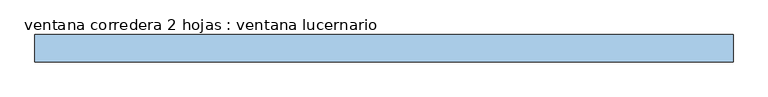
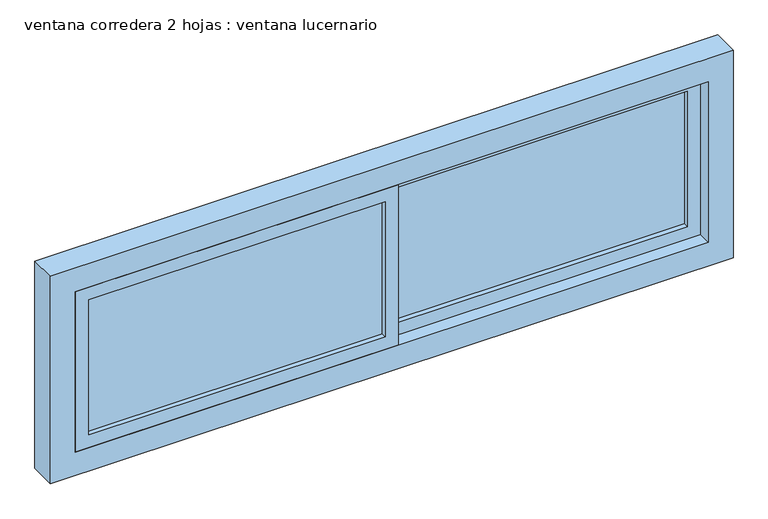
"""IFC4 building model written with IfcOpenShell, lengths in millimetres: window geometry, ventana corredera 2 hojas : ventana lucernario."""

from ifc_helpers import new_model, si_unit, frame, origin, place, context, project, spatial, polyline, outline, extrude, source, transform, mapped, element, save


def ventana_corredera_2_hojas_ventana_lucernario_c1fefcc1(model_context):
    return source(origin(), model_context, "Body", "SweptSolid", [
        extrude(outline(polyline([(732.6840642, -80.3681284), (16.1579679, -80.3681284), (16.1579679, -72.6840642), (732.6840642, -72.6840642), (732.6840642, -80.3681284)])), frame((0.0, 0.0, 892.3159358), z_axis=(0.0, 0.0, 1.0), x_axis=(1.0, 0.0, 0.0)), (0.0, 0.0, 1.0), 345.3681284),
        extrude(outline(polyline([(-16.1579679, -112.6840642), (-732.6840642, -112.6840642), (-732.6840642, -105.0), (-16.1579679, -105.0), (-16.1579679, -112.6840642)])), frame((0.0, 0.0, 892.3159358), z_axis=(0.0, 0.0, 1.0), x_axis=(1.0, 0.0, 0.0)), (0.0, 0.0, 1.0), 345.3681284),
        extrude(outline(polyline([(1330.0, 825.0), (1330.0, -825.0), (800.0, -825.0), (800.0, 825.0), (1330.0, 825.0)]), holes=[polyline([(1270.0, 765.0), (860.0, 765.0), (860.0, -765.0), (1270.0, -765.0), (1270.0, 765.0)])]), frame((0.0, -125.0, 0.0), z_axis=(0.0, 1.0, 0.0), x_axis=(0.0, 0.0, 1.0)), (0.0, 0.0, 1.0), 64.6318716),
        extrude(outline(polyline([(1270.0, 765.0), (1270.0, -16.1579679), (860.0, -16.1579679), (860.0, 765.0), (1270.0, 765.0)]), holes=[polyline([(1237.6840642, 732.6840642), (892.3159358, 732.6840642), (892.3159358, 16.1579679), (1237.6840642, 16.1579679), (1237.6840642, 732.6840642)])]), frame((0.0, -92.6840642, 0.0), z_axis=(0.0, 1.0, 0.0), x_axis=(0.0, 0.0, 1.0)), (0.0, 0.0, 1.0), 32.3159358),
        extrude(outline(polyline([(1270.0, 16.1579679), (1270.0, -765.0), (860.0, -765.0), (860.0, 16.1579679), (1270.0, 16.1579679)]), holes=[polyline([(1237.6840642, -16.1579679), (892.3159358, -16.1579679), (892.3159358, -732.6840642), (1237.6840642, -732.6840642), (1237.6840642, -16.1579679)])]), frame((0.0, -125.0, 0.0), z_axis=(0.0, 1.0, 0.0), x_axis=(0.0, 0.0, 1.0)), (0.0, 0.0, 1.0), 32.3159358),
    ])


if __name__ == "__main__":
    model = new_model("IFC4")
    model_context = context("Model", 3, world=origin())
    ifc_project = project(units=[si_unit("LENGTHUNIT", "METRE", prefix="MILLI")], contexts=[model_context])
    site = spatial("IfcSite", under=ifc_project)
    building = spatial("IfcBuilding", under=site)
    placement = place(None, origin())
    ventana_corredera_2_hojas_ventana_lucernario_shape = ventana_corredera_2_hojas_ventana_lucernario_c1fefcc1(model_context)
    element("IfcWindow", 1, ObjectType="ventana corredera 2 hojas : ventana lucernario", at=placement, inside=building, context=model_context, shape_type="MappedRepresentation", body=[
        mapped(ventana_corredera_2_hojas_ventana_lucernario_shape, transform((0.0, 0.0, 0.0), x_axis=(1.0, 0.0, 0.0), y_axis=(0.0, 1.0, 0.0), z_axis=(0.0, 0.0, 1.0))),
    ])
    save(model, "model.ifc")
